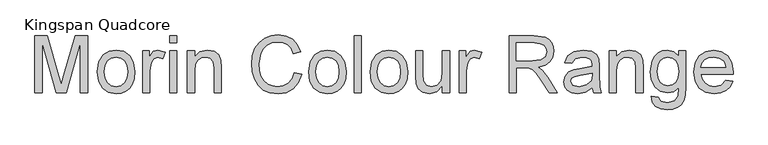
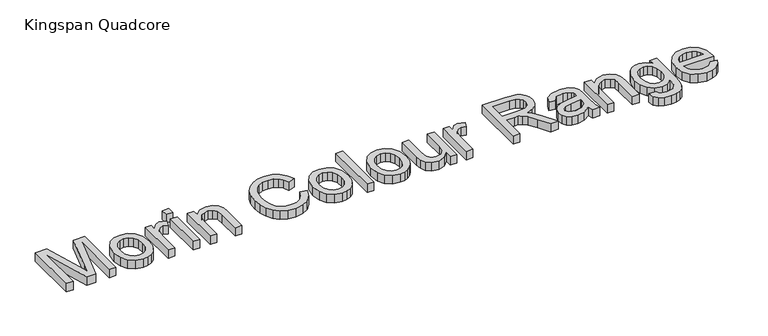
"""IFC4 building model written with IfcOpenShell, lengths in millimetres: proxy geometry, Kingspan Quadcore."""

from ifc_helpers import new_model, si_unit, origin, origin_with_axes, place, context, project, spatial, polyline, outline, extrude, source, transform, mapped, element, save


def kingspan_quadcore_35db6466(model_context):
    return source(origin(), model_context, "Body", "SweptSolid", [
        extrude(outline(polyline([(-915.8790152, 700.0), (-915.8790152, 850.6844652), (-883.4686114, 850.6844652), (-852.6401002, 744.4769332), (-846.4228945, 722.2936489), (-839.690654, 746.3163432), (-809.3771776, 850.6844652), (-776.9667738, 850.6844652), (-776.9667738, 700.0), (-795.802332, 700.0), (-795.802332, 831.8489071), (-833.6573893, 700.0), (-859.1883997, 700.0), (-897.043457, 831.8489071), (-897.043457, 700.0), (-915.8790152, 700.0)])), origin_with_axes(), (0.0, 0.0, 1.0), 25.0),
        extrude(outline(polyline([(-751.0678814, 755.3294521), (-746.9935883, 782.0100938), (-734.770709, 800.7628785), (-719.6691531, 809.9507313), (-701.587753, 813.0133489), (-681.8003002, 809.2839452), (-665.99517, 798.095734), (-655.6346933, 780.3316322), (-652.181201, 756.8745565), (-653.7079113, 737.8458603), (-658.2880422, 723.3605067), (-665.7882363, 712.5125864), (-676.0751366, 704.3961898), (-688.2934174, 699.3332139), (-701.587753, 697.6455552), (-721.6143291, 701.3611634), (-737.4010652, 712.5079878), (-747.6511773, 730.6445702), (-751.0678814, 755.3294521)]), holes=[polyline([(-732.2323232, 755.3662403), (-730.0526224, 738.3195083), (-723.5135199, 726.174804), (-713.6726765, 718.904536), (-701.587753, 716.4811134), (-689.5580118, 718.9183316), (-679.7355625, 726.2299863), (-673.19646, 738.535639), (-671.0167592, 755.9548515), (-673.2102556, 772.5049427), (-679.7907448, 784.4841002), (-689.6269896, 791.7543681), (-701.587753, 794.1777908), (-713.6726765, 791.7635652), (-723.5135199, 784.5208884), (-730.0526224, 772.4037752), (-732.2323232, 755.3662403)])]), origin_with_axes(), (0.0, 0.0, 1.0), 25.0),
        extrude(outline(polyline([(-630.9911981, 700.0), (-630.9911981, 810.6589041), (-614.5100847, 810.6589041), (-614.5100847, 794.2881554), (-602.8114373, 809.3713172), (-591.0392135, 813.0133489), (-572.1300789, 807.2008134), (-578.420861, 790.3150298), (-591.6646128, 794.1777908), (-602.3147966, 790.4621826), (-609.1022194, 780.1614867), (-612.15564, 758.1621434), (-612.15564, 700.0), (-630.9911981, 700.0)])), origin_with_axes(), (0.0, 0.0, 1.0), 25.0),
        extrude(outline(polyline([(-560.3578551, 700.0), (-560.3578551, 810.6589041), (-541.5222969, 810.6589041), (-541.5222969, 700.0), (-560.3578551, 700.0)])), origin_with_axes(), (0.0, 0.0, 1.0), 25.0),
        extrude(outline(polyline([(-560.3578551, 831.8489071), (-560.3578551, 850.6844652), (-541.5222969, 850.6844652), (-541.5222969, 831.8489071), (-560.3578551, 831.8489071)])), origin_with_axes(), (0.0, 0.0, 1.0), 25.0),
        extrude(outline(polyline([(-513.2689597, 700.0), (-513.2689597, 810.6589041), (-494.4334015, 810.6589041), (-494.4334015, 795.2078604), (-480.0308214, 808.5619768), (-460.3675288, 813.0133489), (-442.5804343, 809.4264995), (-430.4403285, 800.0087204), (-424.7933398, 786.1579633), (-423.8000584, 767.9478045), (-423.8000584, 700.0), (-442.6356166, 700.0), (-442.6356166, 765.4094187), (-444.8061204, 782.0744731), (-452.47646, 790.8852469), (-465.4075121, 794.1777908), (-476.4393734, 792.3291837), (-485.8433569, 786.7833627), (-492.2858904, 776.0687996), (-494.4334015, 758.7139664), (-494.4334015, 700.0), (-513.2689597, 700.0)])), origin_with_axes(), (0.0, 0.0, 1.0), 25.0),
        extrude(outline(polyline([(-230.7355874, 753.5636185), (-211.9000292, 748.7075762), (-220.5912414, 726.7588166), (-234.2304663, 710.7237602), (-252.1463195, 700.9151065), (-273.6674162, 697.6455552), (-295.5150082, 700.1195616), (-312.8652428, 707.5415809), (-326.1641769, 719.6540956), (-335.8578675, 736.1995883), (-341.7761691, 755.6513488), (-343.7489363, 776.4826668), (-341.5186517, 798.454419), (-334.8277979, 817.4279329), (-324.0258628, 832.8008017), (-309.4623343, 843.9706188), (-292.1902747, 850.7718372), (-273.262746, 853.03891), (-252.6107705, 850.1050511), (-235.5364474, 841.3034743), (-222.5732056, 827.1768057), (-214.254474, 808.2676712), (-233.0900321, 803.7795108), (-239.6199376, 817.5153048), (-248.5410759, 826.9376824), (-259.9638119, 832.3869345), (-273.99851, 834.2033518), (-290.1761207, 832.1891979), (-303.4658578, 826.1467361), (-313.550423, 816.710563), (-320.1125181, 804.5152748), (-324.9133781, 776.519455), (-323.4924339, 759.1186366), (-319.2296013, 744.072263), (-311.9639319, 731.9551498), (-301.5344773, 723.3421126), (-289.031088, 718.1963632), (-275.5436144, 716.4811134), (-259.8212576, 718.8171641), (-246.7200601, 725.8253161), (-236.8286329, 737.431993), (-230.7355874, 753.5636185)])), origin_with_axes(), (0.0, 0.0, 1.0), 25.0),
        extrude(outline(polyline([(-193.0644711, 755.3294521), (-188.990178, 782.0100938), (-176.7672987, 800.7628785), (-161.6657428, 809.9507313), (-143.5843427, 813.0133489), (-123.7968899, 809.2839452), (-107.9917597, 798.095734), (-97.631283, 780.3316322), (-94.1777908, 756.8745565), (-95.704501, 737.8458603), (-100.2846319, 723.3605067), (-107.7848261, 712.5125864), (-118.0717264, 704.3961898), (-130.2900071, 699.3332139), (-143.5843427, 697.6455552), (-163.6109188, 701.3611634), (-179.3976549, 712.5079878), (-189.647767, 730.6445702), (-193.0644711, 755.3294521)]), holes=[polyline([(-174.2289129, 755.3662403), (-172.0492121, 738.3195083), (-165.5101096, 726.174804), (-155.6692663, 718.904536), (-143.5843427, 716.4811134), (-131.5546015, 718.9183316), (-121.7321522, 726.2299863), (-115.1930497, 738.535639), (-113.0133489, 755.9548515), (-115.2068453, 772.5049427), (-121.7873345, 784.4841002), (-131.6235793, 791.7543681), (-143.5843427, 794.1777908), (-155.6692663, 791.7635652), (-165.5101096, 784.5208884), (-172.0492121, 772.4037752), (-174.2289129, 755.3662403)])]), origin_with_axes(), (0.0, 0.0, 1.0), 25.0),
        extrude(outline(polyline([(-72.9877878, 700.0), (-72.9877878, 850.6844652), (-54.1522297, 850.6844652), (-54.1522297, 700.0), (-72.9877878, 700.0)])), origin_with_axes(), (0.0, 0.0, 1.0), 25.0),
        extrude(outline(polyline([(-30.607782, 755.3294521), (-26.5334889, 782.0100938), (-14.3106096, 800.7628785), (0.7909463, 809.9507313), (18.8723464, 813.0133489), (38.6597992, 809.2839452), (54.4649294, 798.095734), (64.8254061, 780.3316322), (68.2788983, 756.8745565), (66.752188, 737.8458603), (62.1720572, 723.3605067), (54.671863, 712.5125864), (44.3849627, 704.3961898), (32.166682, 699.3332139), (18.8723464, 697.6455552), (-1.1542298, 701.3611634), (-16.9409659, 712.5079878), (-27.191078, 730.6445702), (-30.607782, 755.3294521)]), holes=[polyline([(-11.7722238, 755.3662403), (-9.592523, 738.3195083), (-3.0534206, 726.174804), (6.7874228, 718.904536), (18.8723464, 716.4811134), (30.9020876, 718.9183316), (40.7245369, 726.2299863), (47.2636393, 738.535639), (49.4433402, 755.9548515), (47.2498438, 772.5049427), (40.6693546, 784.4841002), (30.8331097, 791.7543681), (18.8723464, 794.1777908), (6.7874228, 791.7635652), (-3.0534206, 784.5208884), (-9.592523, 772.4037752), (-11.7722238, 755.3662403)])]), origin_with_axes(), (0.0, 0.0, 1.0), 25.0),
        extrude(outline(polyline([(160.1022443, 700.0), (160.1022443, 719.0194992), (145.3501763, 702.9890412), (126.1099479, 697.6455552), (108.3964299, 701.3979516), (96.1827476, 710.8157307), (90.5725472, 724.6848819), (89.4689012, 742.1960648), (89.4689012, 810.6589041), (108.3044594, 810.6589041), (108.3044594, 751.0620209), (109.4448936, 731.8585808), (116.894504, 720.5829976), (130.9292021, 716.4811134), (146.6561574, 720.6749681), (157.0488237, 732.0977041), (160.1022443, 753.0853719), (160.1022443, 810.6589041), (178.9378025, 810.6589041), (178.9378025, 700.0), (160.1022443, 700.0)])), origin_with_axes(), (0.0, 0.0, 1.0), 25.0),
        extrude(outline(polyline([(204.8366949, 700.0), (204.8366949, 810.6589041), (221.3178083, 810.6589041), (221.3178083, 794.2881554), (233.0164557, 809.3713172), (244.7886796, 813.0133489), (263.6978141, 807.2008134), (257.407032, 790.3150298), (244.1632802, 794.1777908), (233.5130964, 790.4621826), (226.7256736, 780.1614867), (223.6722531, 758.1621434), (223.6722531, 700.0), (204.8366949, 700.0)])), origin_with_axes(), (0.0, 0.0, 1.0), 25.0),
        extrude(outline(polyline([(336.685602, 700.0), (336.685602, 850.6844652), (401.6167741, 850.6844652), (431.7647036, 846.6193692), (441.044527, 840.9907747), (448.245817, 832.2351832), (452.8673346, 821.3780658), (454.4078404, 809.4448936), (451.8556591, 794.6008551), (444.1991151, 782.2952023), (431.2082821, 773.2728964), (412.653234, 768.2788983), (423.3586, 760.2222826), (438.6257028, 740.8349015), (463.7520431, 700.0), (441.8630644, 700.0), (422.2549541, 731.2331814), (408.0914972, 751.9081495), (398.1402893, 761.6754165), (389.1823627, 765.2622659), (378.2562674, 765.9244535), (355.5211601, 765.9244535), (355.5211601, 700.0), (336.685602, 700.0)]), holes=[polyline([(355.5211601, 784.7600117), (397.6804368, 784.7600117), (419.1831394, 787.4271562), (431.3968216, 795.9620184), (435.5722823, 808.7459178), (433.581121, 817.9337706), (427.6076371, 825.3373958), (417.3299339, 830.2210292), (402.4261145, 831.8489071), (355.5211601, 831.8489071), (355.5211601, 784.7600117)])]), origin_with_axes(), (0.0, 0.0, 1.0), 25.0),
        extrude(outline(polyline([(555.6489655, 714.1266686), (537.3836245, 701.3611634), (517.205297, 697.6455552), (501.4645462, 699.8804384), (489.8532707, 706.5850877), (482.6933673, 716.7662219), (480.3067329, 729.4305596), (483.9119765, 744.3297804), (493.3849378, 755.1455111), (506.5735074, 761.3259286), (522.8706797, 764.15862), (555.5386009, 770.6333431), (555.6489655, 774.8271978), (554.3521815, 783.2333014), (550.4618294, 788.7331372), (541.7614202, 792.8166274), (529.6397085, 794.1777908), (510.5834211, 790.5541531), (501.4967358, 777.6966774), (482.6611777, 780.0511222), (490.8097639, 798.4452219), (507.2173009, 809.2241644), (532.0677296, 813.0133489), (554.8948074, 809.6656228), (567.7890714, 801.2595192), (573.5648187, 788.4756198), (574.4845237, 771.9945065), (574.4845237, 748.5604234), (575.4410169, 715.8373199), (579.1934132, 700.0), (560.3578551, 700.0), (555.6489655, 714.1266686)]), holes=[polyline([(555.6489655, 751.7977849), (525.2619127, 746.0220376), (509.0567108, 742.968617), (501.717465, 738.0022101), (499.1422911, 730.7549348), (504.7524915, 720.5646035), (521.2152108, 716.4811134), (540.2714981, 720.9876678), (552.5587568, 731.895369), (555.5386009, 746.463496), (555.6489655, 751.7977849)])]), origin_with_axes(), (0.0, 0.0, 1.0), 25.0),
        extrude(outline(polyline([(600.3834161, 700.0), (600.3834161, 810.6589041), (619.2189743, 810.6589041), (619.2189743, 795.2078604), (633.6215544, 808.5619768), (653.284847, 813.0133489), (671.0719415, 809.4264995), (683.2120473, 800.0087204), (688.859036, 786.1579633), (689.8523174, 767.9478045), (689.8523174, 700.0), (671.0167592, 700.0), (671.0167592, 765.4094187), (668.8462554, 782.0744731), (661.1759158, 790.8852469), (648.2448637, 794.1777908), (637.2130024, 792.3291837), (627.8090189, 786.7833627), (621.3664854, 776.0687996), (619.2189743, 758.7139664), (619.2189743, 700.0), (600.3834161, 700.0)])), origin_with_axes(), (0.0, 0.0, 1.0), 25.0),
        extrude(outline(polyline([(711.0423203, 690.5822209), (729.8778784, 688.2277762), (735.9847196, 678.2949623), (754.2684547, 674.1011075), (773.5454713, 678.8467853), (782.7425211, 692.1641135), (784.0301081, 714.1266686), (770.7679622, 703.5316672), (754.5995485, 700.0), (735.1799777, 704.1110813), (720.6992227, 716.4443252), (711.6907123, 734.5257252), (708.6878755, 755.8812751), (714.0773467, 785.0727114), (720.6716315, 796.9231102), (729.6755433, 805.7292854), (740.7809811, 811.192333), (753.6798435, 813.0133489), (770.4828536, 808.8930706), (784.0301081, 796.5322355), (784.0301081, 810.6589041), (802.8656663, 810.6589041), (802.8656663, 715.11995), (801.5780793, 693.0608259), (797.7153183, 678.5340856), (791.0612528, 668.9001758), (781.3997519, 661.5195433), (768.9423478, 656.8290479), (753.9005727, 655.2655494), (736.3755942, 657.4682428), (722.5754208, 664.0763232), (713.7232603, 675.1081845), (711.0423203, 690.5822209)]), holes=[polyline([(727.5234337, 757.1688621), (729.5329891, 739.8922039), (735.5616553, 728.0142139), (744.6253479, 721.1302221), (755.7399827, 718.8355582), (766.771844, 721.1164265), (775.8815219, 727.9590316), (781.9929616, 739.6852702), (784.0301081, 756.6170391), (781.9331807, 772.9464011), (775.6423986, 784.7048294), (766.3993635, 791.8095504), (755.4456771, 794.1777908), (744.6897273, 791.8463386), (735.6720199, 784.8519822), (729.5605802, 773.2682979), (727.5234337, 757.1688621)])]), origin_with_axes(), (0.0, 0.0, 1.0), 25.0),
        extrude(outline(polyline([(908.5949517, 732.9622268), (927.0626278, 730.607782), (920.4085623, 716.6926455), (909.7905682, 706.2907821), (895.4477689, 699.806862), (877.6192877, 697.6455552), (855.5187768, 701.374959), (838.5134316, 712.5631701), (827.6701098, 730.4836218), (824.0556692, 754.4097471), (827.706898, 779.1406142), (838.6605844, 797.6358815), (855.4360034, 809.1689821), (876.5524299, 813.0133489), (897.0112674, 809.1781791), (913.3590235, 797.6726697), (924.0781852, 779.2141906), (927.651239, 754.5201117), (927.5408744, 749.4433402), (842.8912273, 749.4433402), (846.1515815, 735.3442627), (853.7253521, 724.9791875), (864.6560459, 718.6056319), (877.9871697, 716.4811134), (896.4548458, 720.4174507), (908.5949517, 732.9622268)]), holes=[polyline([(842.8912273, 768.2788983), (908.8156809, 768.2788983), (906.2680981, 778.2301063), (901.2741, 785.3486229), (890.2928224, 791.9704988), (876.4788535, 794.1777908), (863.7823262, 792.4165557), (853.2838937, 787.1328506), (845.9860346, 778.8968924), (842.8912273, 768.2788983)])]), origin_with_axes(), (0.0, 0.0, 1.0), 25.0),
    ])


if __name__ == "__main__":
    model = new_model("IFC4")
    model_context = context("Model", 3, world=origin())
    ifc_project = project(units=[si_unit("LENGTHUNIT", "METRE", prefix="MILLI")], contexts=[model_context])
    site = spatial("IfcSite", under=ifc_project)
    building = spatial("IfcBuilding", under=site)
    placement = place(None, origin())
    kingspan_quadcore_shape = kingspan_quadcore_35db6466(model_context)
    element("IfcBuildingElementProxy", 1, Name="Kingspan Quadcore", ObjectType="Kingspan Quadcore", at=placement, inside=building, context=model_context, shape_type="MappedRepresentation", body=[
        mapped(kingspan_quadcore_shape, transform((0.0, 0.0, 0.0), x_axis=(1.0, 0.0, 0.0), y_axis=(0.0, 1.0, 0.0), z_axis=(0.0, 0.0, 1.0))),
    ])
    save(model, "model.ifc")
